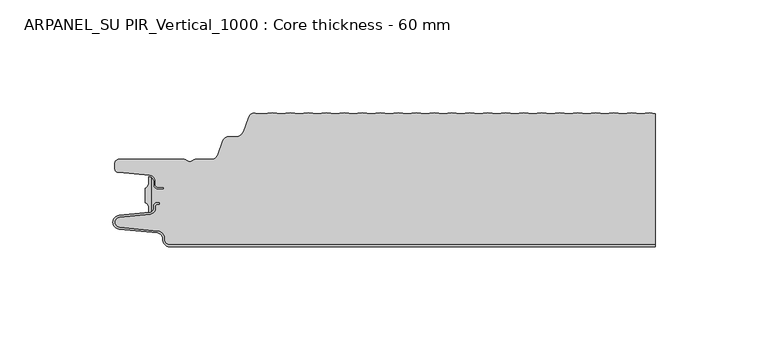
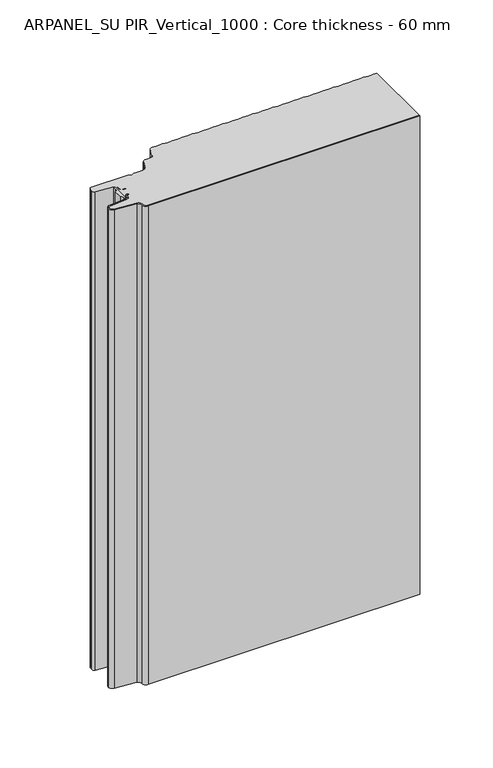
"""IFC4 building model written with IfcOpenShell, lengths in millimetres: plate geometry, ARPANEL_SU PIR_Vertical_1000 : Core thickness - 60 mm."""

from ifc_helpers import new_model, si_unit, point, frame, frame_2d, origin, origin_with_axes, place, context, project, spatial, polyline, circle_curve, trimmed, segment, composite_curve, outline, extrude, source, transform, mapped, element, save
from ifc_brep_helpers import plane_surface, cylinder_surface, revolved_surface, advanced_brep


def arpanel_su_pir_vertical_1000_core_thickness_60_mm_6015ef37(model_context):
    return source(origin(), model_context, "Body", "SolidModel", [
        extrude(outline(composite_curve([segment(polyline([(-105.6703125, -40.4998404), (-105.6703125, -34.0457975)]), True, "CONTINUOUS"), segment(trimmed(circle_curve(frame_2d((-106.6104834, -31.8050435)), 2.43), [point((-105.6703125, -34.0457975))], [point((-104.1827962, -31.6990483))], True, "CARTESIAN"), True, "CONTINUOUS"), segment(polyline([(-104.1827962, -31.6990483), (-104.1827962, -29.1072781)]), True, "CONTINUOUS"), segment(trimmed(circle_curve(frame_2d((-104.153332, -31.5658353)), 2.4587337), [point((-104.1827962, -29.1072781))], [point((-103.1249998, -29.3324736))], False, "CARTESIAN"), True, "CONTINUOUS"), segment(polyline([(-103.1249998, -29.3324736), (-103.1249998, -44.6039532)]), True, "CONTINUOUS"), segment(trimmed(circle_curve(frame_2d((-104.1687689, -42.3777641)), 2.4587337), [point((-103.1249998, -44.6039532))], [point((-104.1827962, -44.8364579))], False, "CARTESIAN"), True, "CONTINUOUS"), segment(polyline([(-104.1827962, -44.8364579), (-104.1827962, -42.8465895)]), True, "CONTINUOUS"), segment(trimmed(circle_curve(frame_2d((-106.6104834, -42.7405944)), 2.43), [point((-104.1827962, -42.8465895))], [point((-105.6703125, -40.4998404))], True, "CARTESIAN"), True, "CONTINUOUS")], self_intersect=False)), origin_with_axes(), (0.0, 0.0, 1.0), 400.0),
        advanced_brep(
        [(-94.8000003, -59.9996949, 0.0), (-97.9923632, -56.5787437, 0.0), (-100.2560431, -53.9171154, 0.0), (-117.2115315, -52.2546153, 0.0), (-119.9999998, -49.1776715, 0.0), (-117.2115315, -46.1007278, 0.0), (-103.6195785, -44.7680252, 0.0), (-101.9952277, -42.9766159, 0.0), (-101.9952277, -41.8996949, 0.0), (-100.5952277, -40.4996949, 0.0), (-99.4952277, -40.4996949, 0.0), (-99.4952277, -41.2996949, 0.0), (-100.5952277, -41.2996949, 0.0), (-101.1952277, -41.8996949, 0.0), (-101.1952277, -42.9766159, 0.0), (-103.5415122, -45.5642071, 0.0), (-117.1334652, -46.8969097, 0.0), (-119.1999997, -49.1776715, 0.0), (-117.1334652, -51.4584333, 0.0), (-100.1779767, -53.1209335, 0.0), (-97.2078761, -56.6330399, 0.0), (-94.8000003, -59.1996949, 0.0), (119.9999998, -59.2, 0.0), (119.9999998, -59.9996949, 0.0), (-94.8000003, -59.1996949, 400.0), (-97.1942724, -56.6339815, 400.0), (-100.1779767, -53.1209335, 400.0), (-117.1334652, -51.4584333, 400.0), (-119.1999997, -49.1776715, 400.0), (-117.1334652, -46.8969097, 400.0), (-103.5415122, -45.5642071, 400.0), (-101.1952277, -42.9766159, 400.0), (-101.1952277, -41.8996949, 400.0), (-100.5952277, -41.2996949, 400.0), (-99.4952277, -41.2996949, 400.0), (-99.4952277, -40.4996949, 400.0), (-100.5952277, -40.4996949, 400.0), (-101.9952277, -41.8996949, 400.0), (-101.9952277, -42.9766159, 400.0), (-103.6195785, -44.7680252, 400.0), (-117.2115315, -46.1007278, 400.0), (-119.9999998, -49.1776715, 400.0), (-117.2115315, -52.2546153, 400.0), (-100.2560431, -53.9171154, 400.0), (-98.0059668, -56.5778021, 400.0), (-94.8000003, -59.9996949, 400.0), (119.9999998, -59.9996949, 400.0), (119.9999998, -59.2, 400.0)],
        [
            (0, 1, circle_curve(frame((-94.8000003, -56.7996949, 0.0), z_axis=(0.0, 0.0, -1.0), x_axis=(1.0, 0.0, 0.0)), 3.2)),
            (1, 2, circle_curve(frame((-100.5000003, -56.4051839, 0.0), z_axis=(0.0, 0.0, 1.0), x_axis=(1.0, 0.0, 0.0)), 2.5)),
            (2, 3),
            (3, 4, circle_curve(frame((-116.9100003, -49.1793626, 0.0), z_axis=(0.0, 0.0, -1.0), x_axis=(1.0, 0.0, 0.0)), 3.09)),
            (4, 5, circle_curve(frame((-116.9100003, -49.1759805, 0.0), z_axis=(0.0, 0.0, -1.0), x_axis=(1.0, 0.0, 0.0)), 3.09)),
            (5, 6),
            (6, 7, circle_curve(frame((-103.7952277, -42.9766159, 0.0), z_axis=(0.0, 0.0, 1.0), x_axis=(1.0, 0.0, 0.0)), 1.8)),
            (7, 8),
            (8, 9, circle_curve(frame((-100.5952277, -41.8996949, 0.0), z_axis=(0.0, 0.0, -1.0), x_axis=(1.0, 0.0, 0.0)), 1.4)),
            (9, 10),
            (10, 11),
            (11, 12),
            (12, 13, circle_curve(frame((-100.5952277, -41.8996949, 0.0), z_axis=(0.0, 0.0, 1.0), x_axis=(1.0, 0.0, 0.0)), 0.6)),
            (13, 14),
            (14, 15, circle_curve(frame((-103.7952277, -42.9766159, 0.0), z_axis=(0.0, 0.0, -1.0), x_axis=(1.0, 0.0, 0.0)), 2.6)),
            (15, 16),
            (16, 17, circle_curve(frame((-116.9100003, -49.1759805, 0.0), z_axis=(0.0, 0.0, 1.0), x_axis=(1.0, 0.0, 0.0)), 2.29)),
            (17, 18, circle_curve(frame((-116.9100003, -49.1793626, 0.0), z_axis=(0.0, 0.0, 1.0), x_axis=(1.0, 0.0, 0.0)), 2.29)),
            (18, 19),
            (19, 20, circle_curve(frame((-100.5000003, -56.4051839, 0.0), z_axis=(0.0, 0.0, -1.0), x_axis=(1.0, 0.0, 0.0)), 3.3)),
            (20, 21, circle_curve(frame((-94.8000003, -56.7996949, 0.0), z_axis=(0.0, 0.0, 1.0), x_axis=(1.0, 0.0, 0.0)), 2.4)),
            (21, 22),
            (22, 23),
            (23, 0),
            (24, 25, circle_curve(frame((-94.8000003, -56.7996949, 400.0), z_axis=(0.0, 0.0, -1.0), x_axis=(1.0, 0.0, 0.0)), 2.4)),
            (25, 26, circle_curve(frame((-100.5000003, -56.4051839, 400.0), z_axis=(0.0, 0.0, 1.0), x_axis=(1.0, 0.0, 0.0)), 3.3)),
            (26, 27),
            (27, 28, circle_curve(frame((-116.9100003, -49.1793626, 400.0), z_axis=(0.0, 0.0, -1.0), x_axis=(1.0, 0.0, 0.0)), 2.29)),
            (28, 29, circle_curve(frame((-116.9100003, -49.1759805, 400.0), z_axis=(0.0, 0.0, -1.0), x_axis=(1.0, 0.0, 0.0)), 2.29)),
            (29, 30),
            (30, 31, circle_curve(frame((-103.7952277, -42.9766159, 400.0), z_axis=(0.0, 0.0, 1.0), x_axis=(1.0, 0.0, 0.0)), 2.6)),
            (31, 32),
            (32, 33, circle_curve(frame((-100.5952277, -41.8996949, 400.0), z_axis=(0.0, 0.0, -1.0), x_axis=(1.0, 0.0, 0.0)), 0.6)),
            (33, 34),
            (34, 35),
            (35, 36),
            (36, 37, circle_curve(frame((-100.5952277, -41.8996949, 400.0), z_axis=(0.0, 0.0, 1.0), x_axis=(1.0, 0.0, 0.0)), 1.4)),
            (37, 38),
            (38, 39, circle_curve(frame((-103.7952277, -42.9766159, 400.0), z_axis=(0.0, 0.0, -1.0), x_axis=(1.0, 0.0, 0.0)), 1.8)),
            (39, 40),
            (40, 41, circle_curve(frame((-116.9100003, -49.1759805, 400.0), z_axis=(0.0, 0.0, 1.0), x_axis=(1.0, 0.0, 0.0)), 3.09)),
            (41, 42, circle_curve(frame((-116.9100003, -49.1793626, 400.0), z_axis=(0.0, 0.0, 1.0), x_axis=(1.0, 0.0, 0.0)), 3.09)),
            (42, 43),
            (43, 44, circle_curve(frame((-100.5000003, -56.4051839, 400.0), z_axis=(0.0, 0.0, -1.0), x_axis=(1.0, 0.0, 0.0)), 2.5)),
            (44, 45, circle_curve(frame((-94.8000003, -56.7996949, 400.0), z_axis=(0.0, 0.0, 1.0), x_axis=(1.0, 0.0, 0.0)), 3.2)),
            (45, 46),
            (46, 47),
            (47, 24),
            (21, 24),
            (47, 22),
            (20, 25),
            (19, 26),
            (18, 27),
            (17, 28),
            (16, 29),
            (15, 30),
            (14, 31),
            (13, 32),
            (12, 33),
            (11, 34),
            (10, 35),
            (9, 36),
            (8, 37),
            (7, 38),
            (6, 39),
            (5, 40),
            (4, 41),
            (3, 42),
            (2, 43),
            (1, 44),
            (0, 45),
            (23, 46),
        ],
        [
            plane_surface(frame((-119.9999998, -60.0, 0.0), z_axis=(0.0, 0.0, -1.0), x_axis=(0.0, 1.0, 0.0))),
            plane_surface(frame((-119.9999998, -60.0, 400.0), z_axis=(0.0, 0.0, 1.0), x_axis=(0.0, 1.0, 0.0))),
            plane_surface(frame((-94.8000003, -59.2, 0.0), z_axis=(0.0, 1.0, 0.0), x_axis=(0.0, 0.0, 1.0))),
            revolved_surface(polyline([(-92.40000029999999, -56.7996949, 400.0), (-92.40000029999999, -56.7996949, 0.0)]), (-94.8000003, -56.7996949, 0.0), (0.0, 0.0, 1.0)),
            cylinder_surface(frame((-100.5000003, -56.4051839, 0.0), z_axis=(0.0, 0.0, -1.0), x_axis=(1.0, 0.0, 0.0)), 3.3),
            plane_surface(frame((-117.1334652, -51.4584333, 0.0), z_axis=(0.09758289975914758, 0.9952273999818314, 0.0), x_axis=(0.0, 0.0, 1.0))),
            revolved_surface(polyline([(-114.62000029999999, -49.1793626, 400.0), (-114.62000029999999, -49.1793626, 0.0)]), (-116.9100003, -49.1793626, 0.0), (0.0, 0.0, 1.0)),
            revolved_surface(polyline([(-114.62000029999999, -49.1759805, 400.0), (-114.62000029999999, -49.1759805, 0.0)]), (-116.9100003, -49.1759805, 0.0), (0.0, 0.0, 1.0)),
            plane_surface(frame((-103.5415122, -45.5642071, 0.0), z_axis=(0.09758289975914383, -0.9952273999818317, 0.0), x_axis=(0.0, 0.0, 1.0))),
            cylinder_surface(frame((-103.7952277, -42.9766159, 0.0), z_axis=(0.0, 0.0, -1.0), x_axis=(1.0, 0.0, 0.0)), 2.6),
            plane_surface(frame((-101.1952277, -41.8996949, 0.0), z_axis=(1.0, 0.0, 0.0), x_axis=(0.0, 0.0, 1.0))),
            revolved_surface(polyline([(-99.9952277, -41.8996949, 400.0), (-99.9952277, -41.8996949, 0.0)]), (-100.5952277, -41.8996949, 0.0), (0.0, 0.0, 1.0)),
            plane_surface(frame((-99.4952277, -41.2996949, 0.0), z_axis=(0.0, -1.0, 0.0), x_axis=(0.0, 0.0, 1.0))),
            plane_surface(frame((-99.4952277, -40.4996949, 0.0), z_axis=(1.0, 0.0, 0.0), x_axis=(0.0, 0.0, 1.0))),
            plane_surface(frame((-100.5952277, -40.4996949, 0.0), z_axis=(0.0, 1.0, 0.0), x_axis=(0.0, 0.0, 1.0))),
            cylinder_surface(frame((-100.5952277, -41.8996949, 0.0), z_axis=(0.0, 0.0, -1.0), x_axis=(1.0, 0.0, 0.0)), 1.4),
            plane_surface(frame((-101.9952277, -42.9766159, 0.0), z_axis=(-1.0, 0.0, 0.0), x_axis=(0.0, 0.0, 1.0))),
            revolved_surface(polyline([(-101.9952277, -42.9766159, 400.0), (-101.9952277, -42.9766159, 0.0)]), (-103.7952277, -42.9766159, 0.0), (0.0, 0.0, 1.0)),
            plane_surface(frame((-117.2115315, -46.1007278, 0.0), z_axis=(-0.09758289975914387, 0.9952273999818317, 0.0), x_axis=(0.0, 0.0, 1.0))),
            cylinder_surface(frame((-116.9100003, -49.1759805, 0.0), z_axis=(0.0, 0.0, -1.0), x_axis=(1.0, 0.0, 0.0)), 3.09),
            cylinder_surface(frame((-116.9100003, -49.1793626, 0.0), z_axis=(0.0, 0.0, -1.0), x_axis=(1.0, 0.0, 0.0)), 3.09),
            plane_surface(frame((-100.2560431, -53.9171154, 0.0), z_axis=(-0.09758289975914762, -0.9952273999818314, 0.0), x_axis=(0.0, 0.0, 1.0))),
            revolved_surface(polyline([(-98.0000003, -56.4051839, 400.0), (-98.0000003, -56.4051839, 0.0)]), (-100.5000003, -56.4051839, 0.0), (0.0, 0.0, 1.0)),
            cylinder_surface(frame((-94.8000003, -56.7996949, 0.0), z_axis=(0.0, 0.0, -1.0), x_axis=(1.0, 0.0, 0.0)), 3.2),
            plane_surface(frame((895.8951806, -59.9996949, 0.0), z_axis=(0.0, -1.0, 0.0), x_axis=(0.0, 0.0, 1.0))),
            plane_surface(frame((119.9999998, 180.0, 400.0), z_axis=(1.0, 0.0, 0.0), x_axis=(0.0, 0.0, -1.0))),
        ],
        [
            (0, [[1, 2, 3, 4, 5, 6, 7, 8, 9, 10, 11, 12, 13, 14, 15, 16, 17, 18, 19, 20, 21, 22, 23, 24]]),
            (1, [[25, 26, 27, 28, 29, 30, 31, 32, 33, 34, 35, 36, 37, 38, 39, 40, 41, 42, 43, 44, 45, 46, 47, 48]]),
            (2, [[49, -48, 50, -22]]),
            (3, [[-21, 51, -25, -49]]),
            (4, [[-20, 52, -26, -51]]),
            (5, [[-19, 53, -27, -52]]),
            (6, [[-18, 54, -28, -53]]),
            (7, [[-17, 55, -29, -54]]),
            (8, [[-16, 56, -30, -55]]),
            (9, [[-15, 57, -31, -56]]),
            (10, [[-14, 58, -32, -57]]),
            (11, [[-13, 59, -33, -58]]),
            (12, [[-12, 60, -34, -59]]),
            (13, [[-11, 61, -35, -60]]),
            (14, [[-10, 62, -36, -61]]),
            (15, [[-9, 63, -37, -62]]),
            (16, [[-8, 64, -38, -63]]),
            (17, [[-7, 65, -39, -64]]),
            (18, [[-6, 66, -40, -65]]),
            (19, [[-5, 67, -41, -66]]),
            (20, [[-4, 68, -42, -67]]),
            (21, [[-3, 69, -43, -68]]),
            (22, [[-2, 70, -44, -69]]),
            (23, [[-1, 71, -45, -70]]),
            (24, [[-71, -24, 72, -46]]),
            (25, [[-23, -50, -47, -72]]),
        ],
    ),
        advanced_brep(
        [(-45.4209945, -1.2401608, 400.0), (-49.3959945, -0.7842469, 400.0), (-53.3709945, -1.2401608, 400.0), (-56.974295, -0.8268791, 400.0), (-59.9575556, -2.6832307, 400.0), (-62.1915348, -8.821038, 400.0), (-65.8165278, -11.3209755, 400.0), (-68.7504363, -11.3209755, 400.0), (-71.4097075, -13.1828966, 400.0), (-73.7017226, -19.4789642, 400.0), (-76.3328037, -21.3211477, 400.0), (-83.355028, -21.3211477, 400.0), (-84.4794723, -21.7461477, 400.0), (-87.5220864, -21.7461477, 400.0), (-88.6465307, -21.3211477, 400.0), (-117.3699998, -21.3211477, 400.0), (-119.1999998, -23.1511477, 400.0), (-119.1999998, -25.314536, 400.0), (-117.5294949, -27.1375723, 400.0), (-103.7559637, -28.3426003, 400.0), (-101.1999998, -31.1319454, 400.0), (-101.1999998, -32.5211477, 400.0), (-99.9999998, -33.7211477, 400.0), (-97.4999998, -33.7211477, 400.0), (-97.4999998, -34.5211477, 400.0), (-99.9999998, -34.5211477, 400.0), (-101.9999998, -32.5211477, 400.0), (-101.9999998, -31.1319454, 400.0), (-103.1249998, -29.3335086, 400.0), (-103.1249998, -44.647183, 400.0), (-101.9952277, -42.9766159, 400.0), (-101.9952277, -41.8996949, 400.0), (-100.5952277, -40.4996949, 400.0), (-99.4952277, -40.4996949, 400.0), (-99.4952277, -41.2996949, 400.0), (-100.5952277, -41.2996949, 400.0), (-101.1952277, -41.8996949, 400.0), (-101.1952277, -42.9766159, 400.0), (-103.5415122, -45.5642071, 400.0), (-117.1334652, -46.8969097, 400.0), (-119.1999997, -49.1776715, 400.0), (-117.1334652, -51.4584333, 400.0), (-100.1779767, -53.1209335, 400.0), (-97.2078761, -56.6330399, 400.0), (-94.8000003, -59.1996949, 400.0), (119.9999998, -59.2, 400.0), (119.9999998, -1.064791, 400.0), (117.5540055, -0.7842469, 400.0), (113.5790055, -1.2401608, 400.0), (109.6040055, -0.7842469, 400.0), (105.6290055, -1.2401608, 400.0), (101.6540055, -0.7842469, 400.0), (97.6790055, -1.2401608, 400.0), (93.7040055, -0.7842469, 400.0), (89.7290055, -1.2401608, 400.0), (85.7540055, -0.7842469, 400.0), (81.7790055, -1.2401608, 400.0), (77.8040055, -0.7842469, 400.0), (73.8290055, -1.2401608, 400.0), (69.8540055, -0.7842469, 400.0), (65.8790055, -1.2401608, 400.0), (61.9040055, -0.7842469, 400.0), (57.9290055, -1.2401608, 400.0), (53.9540055, -0.7842469, 400.0), (49.9790055, -1.2401608, 400.0), (46.0040055, -0.7842469, 400.0), (42.0290055, -1.2401608, 400.0), (38.0540055, -0.7842469, 400.0), (34.0790055, -1.2401608, 400.0), (30.1040055, -0.7842469, 400.0), (26.1290055, -1.2401608, 400.0), (22.1540055, -0.7842469, 400.0), (18.1790055, -1.2401608, 400.0), (14.2040055, -0.7842469, 400.0), (10.2290055, -1.2401608, 400.0), (6.2540055, -0.7842469, 400.0), (2.2790055, -1.2401608, 400.0), (-1.6959945, -0.7842469, 400.0), (-5.6709945, -1.2401608, 400.0), (-9.6459945, -0.7842469, 400.0), (-13.6209945, -1.2401608, 400.0), (-17.5959945, -0.7842469, 400.0), (-21.5709945, -1.2401608, 400.0), (-25.5459945, -0.7842469, 400.0), (-29.5209945, -1.2401608, 400.0), (-33.4959945, -0.7842469, 400.0), (-37.4709945, -1.2401608, 400.0), (-41.4459945, -0.7842469, 400.0), (-49.3959945, -0.7842469, 0.0), (-45.4209945, -1.2401608, 0.0), (-41.4459945, -0.7842469, 0.0), (-37.4709945, -1.2401608, 0.0), (-33.4959945, -0.7842469, 0.0), (-29.5209945, -1.2401608, 0.0), (-25.5459945, -0.7842469, 0.0), (-21.5709945, -1.2401608, 0.0), (-17.5959945, -0.7842469, 0.0), (-13.6209945, -1.2401608, 0.0), (-9.6459945, -0.7842469, 0.0), (-5.6709945, -1.2401608, 0.0), (-1.6959945, -0.7842469, 0.0), (2.2790055, -1.2401608, 0.0), (6.2540055, -0.7842469, 0.0), (10.2290055, -1.2401608, 0.0), (14.2040055, -0.7842469, 0.0), (18.1790055, -1.2401608, 0.0), (22.1540055, -0.7842469, 0.0), (26.1290055, -1.2401608, 0.0), (30.1040055, -0.7842469, 0.0), (34.0790055, -1.2401608, 0.0), (38.0540055, -0.7842469, 0.0), (42.0290055, -1.2401608, 0.0), (46.0040055, -0.7842469, 0.0), (49.9790055, -1.2401608, 0.0), (53.9540055, -0.7842469, 0.0), (57.9290055, -1.2401608, 0.0), (61.9040055, -0.7842469, 0.0), (65.8790055, -1.2401608, 0.0), (69.8540055, -0.7842469, 0.0), (73.8290055, -1.2401608, 0.0), (77.8040055, -0.7842469, 0.0), (81.7790055, -1.2401608, 0.0), (85.7540055, -0.7842469, 0.0), (89.7290055, -1.2401608, 0.0), (93.7040055, -0.7842469, 0.0), (97.6790055, -1.2401608, 0.0), (101.6540055, -0.7842469, 0.0), (105.6290055, -1.2401608, 0.0), (109.6040055, -0.7842469, 0.0), (113.5790055, -1.2401608, 0.0), (117.5540055, -0.7842469, 0.0), (119.9999998, -1.064791, 0.0), (119.9999998, -59.2, 0.0), (-94.8000003, -59.2, 0.0), (-97.1942724, -56.6339815, 0.0), (-100.1779767, -53.1209335, 0.0), (-117.1334652, -51.4584333, 0.0), (-119.1999997, -49.1776715, 0.0), (-117.1334652, -46.8969097, 0.0), (-103.5415122, -45.5642071, 0.0), (-101.1952277, -42.9766159, 0.0), (-101.1952277, -41.8996949, 0.0), (-100.5952277, -41.2996949, 0.0), (-99.4952277, -41.2996949, 0.0), (-99.4952277, -40.4996949, 0.0), (-100.5952277, -40.4996949, 0.0), (-101.9952277, -41.8996949, 0.0), (-101.9952277, -42.9766159, 0.0), (-103.1249998, -44.647183, 0.0), (-103.1249998, -29.3335086, 0.0), (-101.9999998, -31.1319454, 0.0), (-101.9999998, -32.5211477, 0.0), (-99.9999998, -34.5211477, 0.0), (-97.4999998, -34.5211477, 0.0), (-97.4999998, -33.7211477, 0.0), (-99.9999998, -33.7211477, 0.0), (-101.1999998, -32.5211477, 0.0), (-101.1999998, -31.1319454, 0.0), (-103.7559637, -28.3426003, 0.0), (-117.5294949, -27.1375723, 0.0), (-119.1999998, -25.314536, 0.0), (-119.1999998, -23.1511477, 0.0), (-117.3699998, -21.3211477, 0.0), (-88.6465307, -21.3211477, 0.0), (-87.5220864, -21.7461477, 0.0), (-84.4794723, -21.7461477, 0.0), (-83.355028, -21.3211477, 0.0), (-76.3328037, -21.3211477, 0.0), (-73.7017226, -19.4789642, 0.0), (-71.4097075, -13.1828966, 0.0), (-68.7504363, -11.3209755, 0.0), (-65.8165278, -11.3209755, 0.0), (-62.1915348, -8.821038, 0.0), (-59.9575556, -2.6832307, 0.0), (-56.9757518, -0.8395804, 0.0), (-53.3709945, -1.2401608, 0.0)],
        [
            (0, 1),
            (1, 2),
            (2, 3),
            (3, 4, circle_curve(frame((-57.2982255, -3.6511477, 400.0), z_axis=(0.0, 0.0, 1.0), x_axis=(1.0, 0.0, 0.0)), 2.83)),
            (4, 5),
            (5, 6, circle_curve(frame((-65.7623667, -7.5213615, 400.0), z_axis=(0.0, 0.0, -1.0), x_axis=(1.0, 0.0, 0.0)), 3.8)),
            (6, 7),
            (7, 8, circle_curve(frame((-68.7504363, -14.1509755, 400.0), z_axis=(0.0, 0.0, 1.0), x_axis=(1.0, 0.0, 0.0)), 2.83)),
            (8, 9),
            (9, 10, circle_curve(frame((-76.3328037, -18.5211477, 400.0), z_axis=(0.0, 0.0, -1.0), x_axis=(1.0, 0.0, 0.0)), 2.8)),
            (10, 11),
            (11, 12, circle_curve(frame((-83.355028, -23.0211477, 400.0), z_axis=(0.0, 0.0, 1.0), x_axis=(1.0, 0.0, 0.0)), 1.7)),
            (12, 13, circle_curve(frame((-86.0007794, -20.0211477, 400.0), z_axis=(0.0, 0.0, -1.0), x_axis=(1.0, 0.0, 0.0)), 2.3)),
            (13, 14, circle_curve(frame((-88.6465307, -23.0211477, 400.0), z_axis=(0.0, 0.0, 1.0), x_axis=(1.0, 0.0, 0.0)), 1.7)),
            (14, 15),
            (15, 16, circle_curve(frame((-117.3699998, -23.1511477, 400.0), z_axis=(0.0, 0.0, 1.0), x_axis=(1.0, 0.0, 0.0)), 1.83)),
            (16, 17),
            (17, 18, circle_curve(frame((-117.3699998, -25.314536, 400.0), z_axis=(0.0, 0.0, 1.0), x_axis=(1.0, 0.0, 0.0)), 1.83)),
            (18, 19),
            (19, 20, circle_curve(frame((-103.9999998, -31.1319454, 400.0), z_axis=(0.0, 0.0, -1.0), x_axis=(1.0, 0.0, 0.0)), 2.8)),
            (20, 21),
            (21, 22, circle_curve(frame((-99.9999998, -32.5211477, 400.0), z_axis=(0.0, 0.0, 1.0), x_axis=(1.0, 0.0, 0.0)), 1.2)),
            (22, 23),
            (23, 24),
            (24, 25),
            (25, 26, circle_curve(frame((-99.9999998, -32.5211477, 400.0), z_axis=(0.0, 0.0, -1.0), x_axis=(1.0, 0.0, 0.0)), 2.0)),
            (26, 27),
            (27, 28, circle_curve(frame((-103.9999998, -31.1319454, 400.0), z_axis=(0.0, 0.0, 1.0), x_axis=(1.0, 0.0, 0.0)), 2.0)),
            (28, 29),
            (29, 30, circle_curve(frame((-103.7952277, -42.9766159, 400.0), z_axis=(0.0, 0.0, 1.0), x_axis=(1.0, 0.0, 0.0)), 1.8)),
            (30, 31),
            (31, 32, circle_curve(frame((-100.5952277, -41.8996949, 400.0), z_axis=(0.0, 0.0, -1.0), x_axis=(1.0, 0.0, 0.0)), 1.4)),
            (32, 33),
            (33, 34),
            (34, 35),
            (35, 36, circle_curve(frame((-100.5952277, -41.8996949, 400.0), z_axis=(0.0, 0.0, 1.0), x_axis=(1.0, 0.0, 0.0)), 0.6)),
            (36, 37),
            (37, 38, circle_curve(frame((-103.7952277, -42.9766159, 400.0), z_axis=(0.0, 0.0, -1.0), x_axis=(1.0, 0.0, 0.0)), 2.6)),
            (38, 39),
            (39, 40, circle_curve(frame((-116.9100003, -49.1759805, 400.0), z_axis=(0.0, 0.0, 1.0), x_axis=(1.0, 0.0, 0.0)), 2.29)),
            (40, 41, circle_curve(frame((-116.9100003, -49.1793626, 400.0), z_axis=(0.0, 0.0, 1.0), x_axis=(1.0, 0.0, 0.0)), 2.29)),
            (41, 42),
            (42, 43, circle_curve(frame((-100.5000003, -56.4051839, 400.0), z_axis=(0.0, 0.0, -1.0), x_axis=(1.0, 0.0, 0.0)), 3.3)),
            (43, 44, circle_curve(frame((-94.8000003, -56.7996949, 400.0), z_axis=(0.0, 0.0, 1.0), x_axis=(1.0, 0.0, 0.0)), 2.4)),
            (44, 45),
            (45, 46),
            (46, 47),
            (47, 48),
            (48, 49),
            (49, 50),
            (50, 51),
            (51, 52),
            (52, 53),
            (53, 54),
            (54, 55),
            (55, 56),
            (56, 57),
            (57, 58),
            (58, 59),
            (59, 60),
            (60, 61),
            (61, 62),
            (62, 63),
            (63, 64),
            (64, 65),
            (65, 66),
            (66, 67),
            (67, 68),
            (68, 69),
            (69, 70),
            (70, 71),
            (71, 72),
            (72, 73),
            (73, 74),
            (74, 75),
            (75, 76),
            (76, 77),
            (77, 78),
            (78, 79),
            (79, 80),
            (80, 81),
            (81, 82),
            (82, 83),
            (83, 84),
            (84, 85),
            (85, 86),
            (86, 87),
            (87, 0),
            (88, 89),
            (89, 90),
            (90, 91),
            (91, 92),
            (92, 93),
            (93, 94),
            (94, 95),
            (95, 96),
            (96, 97),
            (97, 98),
            (98, 99),
            (99, 100),
            (100, 101),
            (101, 102),
            (102, 103),
            (103, 104),
            (104, 105),
            (105, 106),
            (106, 107),
            (107, 108),
            (108, 109),
            (109, 110),
            (110, 111),
            (111, 112),
            (112, 113),
            (113, 114),
            (114, 115),
            (115, 116),
            (116, 117),
            (117, 118),
            (118, 119),
            (119, 120),
            (120, 121),
            (121, 122),
            (122, 123),
            (123, 124),
            (124, 125),
            (125, 126),
            (126, 127),
            (127, 128),
            (128, 129),
            (129, 130),
            (130, 131),
            (131, 132),
            (132, 133),
            (133, 134, circle_curve(frame((-94.8000003, -56.7996949, 0.0), z_axis=(0.0, 0.0, -1.0), x_axis=(1.0, 0.0, 0.0)), 2.4)),
            (134, 135, circle_curve(frame((-100.5000003, -56.4051839, 0.0), z_axis=(0.0, 0.0, 1.0), x_axis=(1.0, 0.0, 0.0)), 3.3)),
            (135, 136),
            (136, 137, circle_curve(frame((-116.9100003, -49.1793626, 0.0), z_axis=(0.0, 0.0, -1.0), x_axis=(1.0, 0.0, 0.0)), 2.29)),
            (137, 138, circle_curve(frame((-116.9100003, -49.1759805, 0.0), z_axis=(0.0, 0.0, -1.0), x_axis=(1.0, 0.0, 0.0)), 2.29)),
            (138, 139),
            (139, 140, circle_curve(frame((-103.7952277, -42.9766159, 0.0), z_axis=(0.0, 0.0, 1.0), x_axis=(1.0, 0.0, 0.0)), 2.6)),
            (140, 141),
            (141, 142, circle_curve(frame((-100.5952277, -41.8996949, 0.0), z_axis=(0.0, 0.0, -1.0), x_axis=(1.0, 0.0, 0.0)), 0.6)),
            (142, 143),
            (143, 144),
            (144, 145),
            (145, 146, circle_curve(frame((-100.5952277, -41.8996949, 0.0), z_axis=(0.0, 0.0, 1.0), x_axis=(1.0, 0.0, 0.0)), 1.4)),
            (146, 147),
            (147, 148, circle_curve(frame((-103.7952277, -42.9766159, 0.0), z_axis=(0.0, 0.0, -1.0), x_axis=(1.0, 0.0, 0.0)), 1.8)),
            (148, 149),
            (149, 150, circle_curve(frame((-103.9999998, -31.1319454, 0.0), z_axis=(0.0, 0.0, -1.0), x_axis=(1.0, 0.0, 0.0)), 2.0)),
            (150, 151),
            (151, 152, circle_curve(frame((-99.9999998, -32.5211477, 0.0), z_axis=(0.0, 0.0, 1.0), x_axis=(1.0, 0.0, 0.0)), 2.0)),
            (152, 153),
            (153, 154),
            (154, 155),
            (155, 156, circle_curve(frame((-99.9999998, -32.5211477, 0.0), z_axis=(0.0, 0.0, -1.0), x_axis=(1.0, 0.0, 0.0)), 1.2)),
            (156, 157),
            (157, 158, circle_curve(frame((-103.9999998, -31.1319454, 0.0), z_axis=(0.0, 0.0, 1.0), x_axis=(1.0, 0.0, 0.0)), 2.8)),
            (158, 159),
            (159, 160, circle_curve(frame((-117.3699998, -25.314536, 0.0), z_axis=(0.0, 0.0, -1.0), x_axis=(1.0, 0.0, 0.0)), 1.83)),
            (160, 161),
            (161, 162, circle_curve(frame((-117.3699998, -23.1511477, 0.0), z_axis=(0.0, 0.0, -1.0), x_axis=(1.0, 0.0, 0.0)), 1.83)),
            (162, 163),
            (163, 164, circle_curve(frame((-88.6465307, -23.0211477, 0.0), z_axis=(0.0, 0.0, -1.0), x_axis=(1.0, 0.0, 0.0)), 1.7)),
            (164, 165, circle_curve(frame((-86.0007794, -20.0211477, 0.0), z_axis=(0.0, 0.0, 1.0), x_axis=(1.0, 0.0, 0.0)), 2.3)),
            (165, 166, circle_curve(frame((-83.355028, -23.0211477, 0.0), z_axis=(0.0, 0.0, -1.0), x_axis=(1.0, 0.0, 0.0)), 1.7)),
            (166, 167),
            (167, 168, circle_curve(frame((-76.3328037, -18.5211477, 0.0), z_axis=(0.0, 0.0, 1.0), x_axis=(1.0, 0.0, 0.0)), 2.8)),
            (168, 169),
            (169, 170, circle_curve(frame((-68.7504363, -14.1509755, 0.0), z_axis=(0.0, 0.0, -1.0), x_axis=(1.0, 0.0, 0.0)), 2.83)),
            (170, 171),
            (171, 172, circle_curve(frame((-65.7623667, -7.5213615, 0.0), z_axis=(0.0, 0.0, 1.0), x_axis=(1.0, 0.0, 0.0)), 3.8)),
            (172, 173),
            (173, 174, circle_curve(frame((-57.2982255, -3.6511477, 0.0), z_axis=(0.0, 0.0, -1.0), x_axis=(1.0, 0.0, 0.0)), 2.83)),
            (174, 175),
            (175, 88),
            (28, 149),
            (148, 29),
            (88, 1),
            (0, 89),
            (87, 90),
            (86, 91),
            (85, 92),
            (84, 93),
            (83, 94),
            (82, 95),
            (81, 96),
            (80, 97),
            (79, 98),
            (78, 99),
            (77, 100),
            (76, 101),
            (75, 102),
            (74, 103),
            (73, 104),
            (72, 105),
            (71, 106),
            (70, 107),
            (69, 108),
            (68, 109),
            (67, 110),
            (66, 111),
            (65, 112),
            (64, 113),
            (63, 114),
            (62, 115),
            (61, 116),
            (60, 117),
            (59, 118),
            (58, 119),
            (57, 120),
            (56, 121),
            (55, 122),
            (54, 123),
            (53, 124),
            (52, 125),
            (51, 126),
            (50, 127),
            (49, 128),
            (48, 129),
            (47, 130),
            (46, 131),
            (151, 26),
            (25, 152),
            (24, 153),
            (23, 154),
            (22, 155),
            (21, 156),
            (20, 157),
            (19, 158),
            (18, 159),
            (17, 160),
            (16, 161),
            (15, 162),
            (14, 163),
            (13, 164),
            (12, 165),
            (11, 166),
            (10, 167),
            (9, 168),
            (8, 169),
            (7, 170),
            (6, 171),
            (5, 172),
            (4, 173),
            (3, 174),
            (2, 175),
            (44, 133),
            (132, 45),
            (43, 134),
            (42, 135),
            (41, 136),
            (40, 137),
            (39, 138),
            (38, 139),
            (37, 140),
            (36, 141),
            (35, 142),
            (34, 143),
            (33, 144),
            (32, 145),
            (31, 146),
            (30, 147),
            (27, 150),
        ],
        [
            plane_surface(frame((-119.9999998, 0.0, 400.0), z_axis=(0.0, 0.0, 1.0), x_axis=(0.0, -1.0, 0.0))),
            plane_surface(frame((-119.9999998, 0.0, 0.0), z_axis=(0.0, 0.0, -1.0), x_axis=(0.0, -1.0, 0.0))),
            plane_surface(frame((-103.1249998, -28.75, 400.0), z_axis=(-1.0, 0.0, 0.0), x_axis=(0.0, 0.0, -1.0))),
            plane_surface(frame((-49.3959945, -0.7842469, 530.0), z_axis=(0.1139482930581638, 0.9934866815962511, 0.0), x_axis=(0.0, 0.0, -1.0))),
            plane_surface(frame((-45.4209945, -1.2401608, 530.0), z_axis=(-0.11394829338954408, 0.9934866815582434, 0.0), x_axis=(0.0, 0.0, -1.0))),
            plane_surface(frame((-41.4459945, -0.7842469, 530.0), z_axis=(0.11394829338946497, 0.9934866815582525, 0.0), x_axis=(0.0, 0.0, -1.0))),
            plane_surface(frame((-37.4709945, -1.2401608, 530.0), z_axis=(-0.11394829305824292, 0.9934866815962421, 0.0), x_axis=(0.0, 0.0, -1.0))),
            plane_surface(frame((-33.4959945, -0.7842469, 530.0), z_axis=(0.1139482930581638, 0.9934866815962511, 0.0), x_axis=(0.0, 0.0, -1.0))),
            plane_surface(frame((-29.5209945, -1.2401608, 530.0), z_axis=(-0.11394829338954408, 0.9934866815582434, 0.0), x_axis=(0.0, 0.0, -1.0))),
            plane_surface(frame((-25.5459945, -0.7842469, 530.0), z_axis=(0.11394829338946497, 0.9934866815582525, 0.0), x_axis=(0.0, 0.0, -1.0))),
            plane_surface(frame((-21.5709945, -1.2401608, 530.0), z_axis=(-0.11394829305824292, 0.9934866815962421, 0.0), x_axis=(0.0, 0.0, -1.0))),
            plane_surface(frame((-17.5959945, -0.7842469, 530.0), z_axis=(0.1139482930581638, 0.9934866815962511, 0.0), x_axis=(0.0, 0.0, -1.0))),
            plane_surface(frame((-13.6209945, -1.2401608, 530.0), z_axis=(-0.11394829338954408, 0.9934866815582434, 0.0), x_axis=(0.0, 0.0, -1.0))),
            plane_surface(frame((-9.6459945, -0.7842469, 530.0), z_axis=(0.11394829338946497, 0.9934866815582525, 0.0), x_axis=(0.0, 0.0, -1.0))),
            plane_surface(frame((-5.6709945, -1.2401608, 530.0), z_axis=(-0.11394829305824292, 0.9934866815962421, 0.0), x_axis=(0.0, 0.0, -1.0))),
            plane_surface(frame((-1.6959945, -0.7842469, 530.0), z_axis=(0.1139482930581638, 0.9934866815962511, 0.0), x_axis=(0.0, 0.0, -1.0))),
            plane_surface(frame((2.2790055, -1.2401608, 530.0), z_axis=(-0.11394829338954408, 0.9934866815582434, 0.0), x_axis=(0.0, 0.0, -1.0))),
            plane_surface(frame((6.2540055, -0.7842469, 530.0), z_axis=(0.11394829338946497, 0.9934866815582525, 0.0), x_axis=(0.0, 0.0, -1.0))),
            plane_surface(frame((10.2290055, -1.2401608, 530.0), z_axis=(-0.11394829305824292, 0.9934866815962421, 0.0), x_axis=(0.0, 0.0, -1.0))),
            plane_surface(frame((14.2040055, -0.7842469, 530.0), z_axis=(0.1139482930581638, 0.9934866815962511, 0.0), x_axis=(0.0, 0.0, -1.0))),
            plane_surface(frame((18.1790055, -1.2401608, 530.0), z_axis=(-0.11394829338954408, 0.9934866815582434, 0.0), x_axis=(0.0, 0.0, -1.0))),
            plane_surface(frame((22.1540055, -0.7842469, 530.0), z_axis=(0.11394829338946497, 0.9934866815582525, 0.0), x_axis=(0.0, 0.0, -1.0))),
            plane_surface(frame((26.1290055, -1.2401608, 530.0), z_axis=(-0.11394829305824292, 0.9934866815962421, 0.0), x_axis=(0.0, 0.0, -1.0))),
            plane_surface(frame((30.1040055, -0.7842469, 530.0), z_axis=(0.1139482930581638, 0.9934866815962511, 0.0), x_axis=(0.0, 0.0, -1.0))),
            plane_surface(frame((34.0790055, -1.2401608, 530.0), z_axis=(-0.11394829305824292, 0.9934866815962421, 0.0), x_axis=(0.0, 0.0, -1.0))),
            plane_surface(frame((38.0540055, -0.7842469, 530.0), z_axis=(0.1139482930581638, 0.9934866815962511, 0.0), x_axis=(0.0, 0.0, -1.0))),
            plane_surface(frame((42.0290055, -1.2401608, 530.0), z_axis=(-0.11394829338954408, 0.9934866815582434, 0.0), x_axis=(0.0, 0.0, -1.0))),
            plane_surface(frame((46.0040055, -0.7842469, 530.0), z_axis=(0.11394829338946497, 0.9934866815582525, 0.0), x_axis=(0.0, 0.0, -1.0))),
            plane_surface(frame((49.9790055, -1.2401608, 530.0), z_axis=(-0.11394829305824292, 0.9934866815962421, 0.0), x_axis=(0.0, 0.0, -1.0))),
            plane_surface(frame((53.9540055, -0.7842469, 530.0), z_axis=(0.1139482930581638, 0.9934866815962511, 0.0), x_axis=(0.0, 0.0, -1.0))),
            plane_surface(frame((57.9290055, -1.2401608, 530.0), z_axis=(-0.11394829338954408, 0.9934866815582434, 0.0), x_axis=(0.0, 0.0, -1.0))),
            plane_surface(frame((61.9040055, -0.7842469, 530.0), z_axis=(0.11394829338946497, 0.9934866815582525, 0.0), x_axis=(0.0, 0.0, -1.0))),
            plane_surface(frame((65.8790055, -1.2401608, 530.0), z_axis=(-0.11394829305824292, 0.9934866815962421, 0.0), x_axis=(0.0, 0.0, -1.0))),
            plane_surface(frame((69.8540055, -0.7842469, 530.0), z_axis=(0.1139482930581638, 0.9934866815962511, 0.0), x_axis=(0.0, 0.0, -1.0))),
            plane_surface(frame((73.8290055, -1.2401608, 530.0), z_axis=(-0.11394829338954408, 0.9934866815582434, 0.0), x_axis=(0.0, 0.0, -1.0))),
            plane_surface(frame((77.8040055, -0.7842469, 530.0), z_axis=(0.11394829338946497, 0.9934866815582525, 0.0), x_axis=(0.0, 0.0, -1.0))),
            plane_surface(frame((81.7790055, -1.2401608, 530.0), z_axis=(-0.11394829305824292, 0.9934866815962421, 0.0), x_axis=(0.0, 0.0, -1.0))),
            plane_surface(frame((85.7540055, -0.7842469, 530.0), z_axis=(0.1139482930581638, 0.9934866815962511, 0.0), x_axis=(0.0, 0.0, -1.0))),
            plane_surface(frame((89.7290055, -1.2401608, 530.0), z_axis=(-0.11394829338954408, 0.9934866815582434, 0.0), x_axis=(0.0, 0.0, -1.0))),
            plane_surface(frame((93.7040055, -0.7842469, 530.0), z_axis=(0.11394829338946497, 0.9934866815582525, 0.0), x_axis=(0.0, 0.0, -1.0))),
            plane_surface(frame((97.6790055, -1.2401608, 530.0), z_axis=(-0.11394829305824292, 0.9934866815962421, 0.0), x_axis=(0.0, 0.0, -1.0))),
            plane_surface(frame((101.6540055, -0.7842469, 530.0), z_axis=(0.1139482930581638, 0.9934866815962511, 0.0), x_axis=(0.0, 0.0, -1.0))),
            plane_surface(frame((105.6290055, -1.2401608, 530.0), z_axis=(-0.11394829338954408, 0.9934866815582434, 0.0), x_axis=(0.0, 0.0, -1.0))),
            plane_surface(frame((109.6040055, -0.7842469, 530.0), z_axis=(0.11394829338946497, 0.9934866815582525, 0.0), x_axis=(0.0, 0.0, -1.0))),
            plane_surface(frame((113.5790055, -1.2401608, 530.0), z_axis=(-0.11394829305824292, 0.9934866815962421, 0.0), x_axis=(0.0, 0.0, -1.0))),
            plane_surface(frame((117.5540055, -0.7842469, 530.0), z_axis=(0.1139482930581638, 0.9934866815962511, 0.0), x_axis=(0.0, 0.0, -1.0))),
            revolved_surface(polyline([(-97.9999998, -32.5211477, 400.0), (-97.9999998, -32.5211477, 0.0)]), (-99.9999998, -32.5211477, 530.0), (0.0, 0.0, 1.0)),
            plane_surface(frame((-99.9999998, -34.5211477, 530.0), z_axis=(0.0, 1.0, 0.0), x_axis=(0.0, 0.0, -1.0))),
            plane_surface(frame((-97.4999998, -34.5211477, 530.0), z_axis=(-1.0, 0.0, 0.0), x_axis=(0.0, 0.0, -1.0))),
            plane_surface(frame((-97.4999998, -33.7211477, 530.0), z_axis=(0.0, -1.0, 0.0), x_axis=(0.0, 0.0, -1.0))),
            cylinder_surface(frame((-99.9999998, -32.5211477, 530.0), z_axis=(0.0, 0.0, -1.0), x_axis=(1.0, 0.0, 0.0)), 1.2),
            plane_surface(frame((-101.1999998, -32.5211477, 530.0), z_axis=(-1.0, 0.0, 0.0), x_axis=(0.0, 0.0, -1.0))),
            revolved_surface(polyline([(-101.1999998, -31.1319454, 400.0), (-101.1999998, -31.1319454, 0.0)]), (-103.9999998, -31.1319454, 530.0), (0.0, 0.0, 1.0)),
            plane_surface(frame((-103.7559637, -28.3426003, 530.0), z_axis=(-0.0871557575228913, -0.9961946967990801, 0.0), x_axis=(0.0, 0.0, -1.0))),
            cylinder_surface(frame((-117.3699998, -25.314536, 530.0), z_axis=(0.0, 0.0, -1.0), x_axis=(1.0, 0.0, 0.0)), 1.83),
            plane_surface(frame((-119.1999998, -25.314536, 530.0), z_axis=(-1.0, 0.0, 0.0), x_axis=(0.0, 0.0, -1.0))),
            cylinder_surface(frame((-117.3699998, -23.1511477, 530.0), z_axis=(0.0, 0.0, -1.0), x_axis=(1.0, 0.0, 0.0)), 1.83),
            plane_surface(frame((-117.3699998, -21.3211477, 530.0), z_axis=(0.0, 1.0, 0.0), x_axis=(0.0, 0.0, -1.0))),
            cylinder_surface(frame((-88.6465307, -23.0211477, 530.0), z_axis=(0.0, 0.0, -1.0), x_axis=(1.0, 0.0, 0.0)), 1.7),
            revolved_surface(polyline([(-83.7007794, -20.0211477, 400.0), (-83.7007794, -20.0211477, 0.0)]), (-86.0007794, -20.0211477, 530.0), (0.0, 0.0, 1.0)),
            cylinder_surface(frame((-83.355028, -23.0211477, 530.0), z_axis=(0.0, 0.0, -1.0), x_axis=(1.0, 0.0, 0.0)), 1.7),
            plane_surface(frame((-83.355028, -21.3211477, 530.0), z_axis=(0.0, 1.0, 0.0), x_axis=(0.0, 0.0, -1.0))),
            revolved_surface(polyline([(-73.5328037, -18.5211477, 400.0), (-73.5328037, -18.5211477, 0.0)]), (-76.3328037, -18.5211477, 530.0), (0.0, 0.0, 1.0)),
            plane_surface(frame((-73.7017226, -19.4789642, 530.0), z_axis=(-0.9396718057170751, 0.3420773268435247, 0.0), x_axis=(0.0, 0.0, -1.0))),
            cylinder_surface(frame((-68.7504363, -14.1509755, 530.0), z_axis=(0.0, 0.0, -1.0), x_axis=(1.0, 0.0, 0.0)), 2.83),
            plane_surface(frame((-68.7504363, -11.3209755, 530.0), z_axis=(0.0, 1.0, 0.0), x_axis=(0.0, 0.0, -1.0))),
            revolved_surface(polyline([(-61.962366700000004, -7.5213615, 400.0), (-61.962366700000004, -7.5213615, 0.0)]), (-65.7623667, -7.5213615, 530.0), (0.0, 0.0, 1.0)),
            plane_surface(frame((-62.1915348, -8.821038, 530.0), z_axis=(-0.9396926207859142, 0.34202014332565295, 0.0), x_axis=(0.0, 0.0, -1.0))),
            cylinder_surface(frame((-57.2982255, -3.6511477, 530.0), z_axis=(0.0, 0.0, -1.0), x_axis=(1.0, 0.0, 0.0)), 2.83),
            plane_surface(frame((-56.974295, -0.8268791, 530.0), z_axis=(0.11394829338946497, 0.9934866815582525, 0.0), x_axis=(0.0, 0.0, -1.0))),
            plane_surface(frame((-53.3709945, -1.2401608, 530.0), z_axis=(-0.11394829305824292, 0.9934866815962421, 0.0), x_axis=(0.0, 0.0, -1.0))),
            plane_surface(frame((895.8952276, -59.2, 530.0), z_axis=(0.0, -1.0, 0.0), x_axis=(0.0, 0.0, -1.0))),
            cylinder_surface(frame((-94.8000003, -56.7996949, 530.0), z_axis=(0.0, 0.0, -1.0), x_axis=(1.0, 0.0, 0.0)), 2.4),
            revolved_surface(polyline([(-97.2000003, -56.4051839, 400.0), (-97.2000003, -56.4051839, 0.0)]), (-100.5000003, -56.4051839, 530.0), (0.0, 0.0, 1.0)),
            plane_surface(frame((-100.1779767, -53.1209335, 530.0), z_axis=(-0.09758289975914758, -0.9952273999818314, 0.0), x_axis=(0.0, 0.0, -1.0))),
            cylinder_surface(frame((-116.9100003, -49.1793626, 530.0), z_axis=(0.0, 0.0, -1.0), x_axis=(1.0, 0.0, 0.0)), 2.29),
            cylinder_surface(frame((-116.9100003, -49.1759805, 530.0), z_axis=(0.0, 0.0, -1.0), x_axis=(1.0, 0.0, 0.0)), 2.29),
            plane_surface(frame((-117.1334652, -46.8969097, 530.0), z_axis=(-0.09758289975914383, 0.9952273999818317, 0.0), x_axis=(0.0, 0.0, -1.0))),
            revolved_surface(polyline([(-101.1952277, -42.9766159, 400.0), (-101.1952277, -42.9766159, 0.0)]), (-103.7952277, -42.9766159, 530.0), (0.0, 0.0, 1.0)),
            plane_surface(frame((-101.1952277, -42.9766159, 530.0), z_axis=(-1.0, 0.0, 0.0), x_axis=(0.0, 0.0, -1.0))),
            cylinder_surface(frame((-100.5952277, -41.8996949, 530.0), z_axis=(0.0, 0.0, -1.0), x_axis=(1.0, 0.0, 0.0)), 0.6),
            plane_surface(frame((-100.5952277, -41.2996949, 530.0), z_axis=(0.0, 1.0, 0.0), x_axis=(0.0, 0.0, -1.0))),
            plane_surface(frame((-99.4952277, -41.2996949, 530.0), z_axis=(-1.0, 0.0, 0.0), x_axis=(0.0, 0.0, -1.0))),
            plane_surface(frame((-99.4952277, -40.4996949, 530.0), z_axis=(0.0, -1.0, 0.0), x_axis=(0.0, 0.0, -1.0))),
            revolved_surface(polyline([(-99.19522769999999, -41.8996949, 400.0), (-99.19522769999999, -41.8996949, 0.0)]), (-100.5952277, -41.8996949, 530.0), (0.0, 0.0, 1.0)),
            plane_surface(frame((-101.9952277, -41.8996949, 530.0), z_axis=(1.0, 0.0, 0.0), x_axis=(0.0, 0.0, -1.0))),
            cylinder_surface(frame((-103.7952277, -42.9766159, 530.0), z_axis=(0.0, 0.0, -1.0), x_axis=(1.0, 0.0, 0.0)), 1.8),
            cylinder_surface(frame((-103.9999998, -31.1319454, 530.0), z_axis=(0.0, 0.0, -1.0), x_axis=(1.0, 0.0, 0.0)), 2.0),
            plane_surface(frame((-101.9999998, -31.1319454, 530.0), z_axis=(1.0, 0.0, 0.0), x_axis=(0.0, 0.0, -1.0))),
            plane_surface(frame((119.9999998, 180.0, 400.0), z_axis=(1.0, 0.0, 0.0), x_axis=(0.0, 0.0, -1.0))),
        ],
        [
            (0, [[1, 2, 3, 4, 5, 6, 7, 8, 9, 10, 11, 12, 13, 14, 15, 16, 17, 18, 19, 20, 21, 22, 23, 24, 25, 26, 27, 28, 29, 30, 31, 32, 33, 34, 35, 36, 37, 38, 39, 40, 41, 42, 43, 44, 45, 46, 47, 48, 49, 50, 51, 52, 53, 54, 55, 56, 57, 58, 59, 60, 61, 62, 63, 64, 65, 66, 67, 68, 69, 70, 71, 72, 73, 74, 75, 76, 77, 78, 79, 80, 81, 82, 83, 84, 85, 86, 87, 88]]),
            (1, [[89, 90, 91, 92, 93, 94, 95, 96, 97, 98, 99, 100, 101, 102, 103, 104, 105, 106, 107, 108, 109, 110, 111, 112, 113, 114, 115, 116, 117, 118, 119, 120, 121, 122, 123, 124, 125, 126, 127, 128, 129, 130, 131, 132, 133, 134, 135, 136, 137, 138, 139, 140, 141, 142, 143, 144, 145, 146, 147, 148, 149, 150, 151, 152, 153, 154, 155, 156, 157, 158, 159, 160, 161, 162, 163, 164, 165, 166, 167, 168, 169, 170, 171, 172, 173, 174, 175, 176]]),
            (2, [[177, -149, 178, -29]]),
            (3, [[179, -1, 180, -89]]),
            (4, [[-180, -88, 181, -90]]),
            (5, [[-181, -87, 182, -91]]),
            (6, [[-182, -86, 183, -92]]),
            (7, [[-183, -85, 184, -93]]),
            (8, [[-184, -84, 185, -94]]),
            (9, [[-185, -83, 186, -95]]),
            (10, [[-186, -82, 187, -96]]),
            (11, [[-187, -81, 188, -97]]),
            (12, [[-188, -80, 189, -98]]),
            (13, [[-189, -79, 190, -99]]),
            (14, [[-190, -78, 191, -100]]),
            (15, [[-191, -77, 192, -101]]),
            (16, [[-192, -76, 193, -102]]),
            (17, [[-193, -75, 194, -103]]),
            (18, [[-194, -74, 195, -104]]),
            (19, [[-195, -73, 196, -105]]),
            (20, [[-196, -72, 197, -106]]),
            (21, [[-197, -71, 198, -107]]),
            (22, [[-198, -70, 199, -108]]),
            (23, [[-199, -69, 200, -109]]),
            (24, [[-200, -68, 201, -110]]),
            (25, [[-201, -67, 202, -111]]),
            (26, [[-202, -66, 203, -112]]),
            (27, [[-203, -65, 204, -113]]),
            (28, [[-204, -64, 205, -114]]),
            (29, [[-205, -63, 206, -115]]),
            (30, [[-206, -62, 207, -116]]),
            (31, [[-207, -61, 208, -117]]),
            (32, [[-208, -60, 209, -118]]),
            (33, [[-209, -59, 210, -119]]),
            (34, [[-210, -58, 211, -120]]),
            (35, [[-211, -57, 212, -121]]),
            (36, [[-212, -56, 213, -122]]),
            (37, [[-213, -55, 214, -123]]),
            (38, [[-214, -54, 215, -124]]),
            (39, [[-215, -53, 216, -125]]),
            (40, [[-216, -52, 217, -126]]),
            (41, [[-217, -51, 218, -127]]),
            (42, [[-218, -50, 219, -128]]),
            (43, [[-219, -49, 220, -129]]),
            (44, [[-220, -48, 221, -130]]),
            (45, [[-221, -47, 222, -131]]),
            (46, [[223, -26, 224, -152]]),
            (47, [[-224, -25, 225, -153]]),
            (48, [[-225, -24, 226, -154]]),
            (49, [[-226, -23, 227, -155]]),
            (50, [[-227, -22, 228, -156]]),
            (51, [[-228, -21, 229, -157]]),
            (52, [[-229, -20, 230, -158]]),
            (53, [[-230, -19, 231, -159]]),
            (54, [[-231, -18, 232, -160]]),
            (55, [[-232, -17, 233, -161]]),
            (56, [[-233, -16, 234, -162]]),
            (57, [[-234, -15, 235, -163]]),
            (58, [[-235, -14, 236, -164]]),
            (59, [[-236, -13, 237, -165]]),
            (60, [[-237, -12, 238, -166]]),
            (61, [[-238, -11, 239, -167]]),
            (62, [[-239, -10, 240, -168]]),
            (63, [[-240, -9, 241, -169]]),
            (64, [[-241, -8, 242, -170]]),
            (65, [[-242, -7, 243, -171]]),
            (66, [[-243, -6, 244, -172]]),
            (67, [[-244, -5, 245, -173]]),
            (68, [[-245, -4, 246, -174]]),
            (69, [[-246, -3, 247, -175]]),
            (70, [[-179, -176, -247, -2]]),
            (71, [[248, -133, 249, -45]]),
            (72, [[-248, -44, 250, -134]]),
            (73, [[-250, -43, 251, -135]]),
            (74, [[-251, -42, 252, -136]]),
            (75, [[-252, -41, 253, -137]]),
            (76, [[-253, -40, 254, -138]]),
            (77, [[-254, -39, 255, -139]]),
            (78, [[-255, -38, 256, -140]]),
            (79, [[-256, -37, 257, -141]]),
            (80, [[-257, -36, 258, -142]]),
            (81, [[-258, -35, 259, -143]]),
            (82, [[-259, -34, 260, -144]]),
            (83, [[-260, -33, 261, -145]]),
            (84, [[-261, -32, 262, -146]]),
            (85, [[-262, -31, 263, -147]]),
            (86, [[-263, -30, -178, -148]]),
            (87, [[264, -150, -177, -28]]),
            (88, [[-223, -151, -264, -27]]),
            (89, [[-222, -46, -249, -132]]),
        ],
    ),
    ])


if __name__ == "__main__":
    model = new_model("IFC4")
    model_context = context("Model", 3, world=origin())
    ifc_project = project(units=[si_unit("LENGTHUNIT", "METRE", prefix="MILLI")], contexts=[model_context])
    site = spatial("IfcSite", under=ifc_project)
    building = spatial("IfcBuilding", under=site)
    placement = place(None, origin())
    arpanel_su_pir_vertical_1000_core_thickness_60_mm_shape = arpanel_su_pir_vertical_1000_core_thickness_60_mm_6015ef37(model_context)
    element("IfcPlate", 1, ObjectType="ARPANEL_SU PIR_Vertical_1000 : Core thickness - 60 mm", at=placement, inside=building, context=model_context, shape_type="MappedRepresentation", body=[
        mapped(arpanel_su_pir_vertical_1000_core_thickness_60_mm_shape, transform((0.0, 0.0, 0.0), x_axis=(1.0, 0.0, 0.0), y_axis=(0.0, 1.0, 0.0), z_axis=(0.0, 0.0, 1.0))),
    ])
    save(model, "model.ifc")
